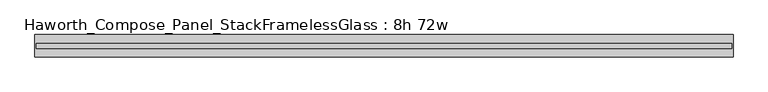
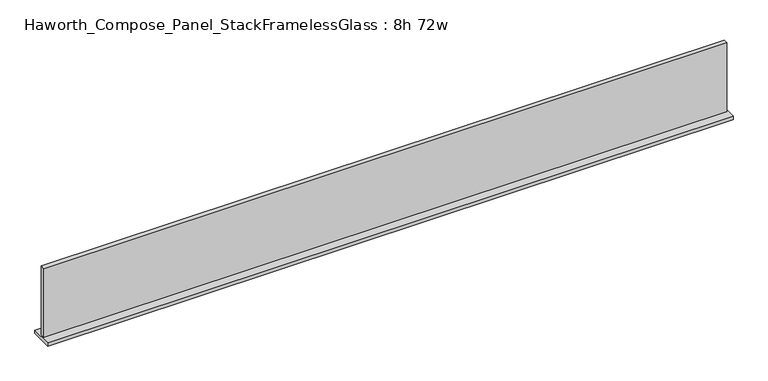
"""IFC4 building model written with IfcOpenShell, lengths in millimetres: furniture geometry, Haworth_Compose_Panel_StackFramelessGlass : 8h 72w."""

from ifc_helpers import new_model, si_unit, frame, origin, place, context, project, spatial, polyline, outline, extrude, source, transform, mapped, element, save


def haworth_compose_panel_stackframelessglass_8h_72w_19b6a11c(model_context):
    return source(origin(), model_context, "Body", "SweptSolid", [
        extrude(outline(polyline([(913.6652902, -27.3093594), (-908.7847098, -27.3093594), (-908.7847098, -14.6093594), (913.6652902, -14.6093594), (913.6652902, -27.3093594)])), frame((0.0, 0.0, 1279.525), z_axis=(0.0, 0.0, 1.0), x_axis=(1.0, 0.0, 0.0)), (0.0, 0.0, 1.0), 193.675),
        extrude(outline(polyline([(-911.9597098, -50.3281094), (-911.9597098, 8.4093906), (916.8402902, 8.4093906), (916.8402902, -50.3281094), (-911.9597098, -50.3281094)])), frame((0.0, 0.0, 1270.0), z_axis=(0.0, 0.0, 1.0), x_axis=(1.0, 0.0, 0.0)), (0.0, 0.0, 1.0), 9.525),
    ])


if __name__ == "__main__":
    model = new_model("IFC4")
    model_context = context("Model", 3, world=origin())
    ifc_project = project(units=[si_unit("LENGTHUNIT", "METRE", prefix="MILLI")], contexts=[model_context])
    site = spatial("IfcSite", under=ifc_project)
    building = spatial("IfcBuilding", under=site)
    placement = place(None, origin())
    haworth_compose_panel_stackframelessglass_8h_72w_shape = haworth_compose_panel_stackframelessglass_8h_72w_19b6a11c(model_context)
    element("IfcFurniture", 1, ObjectType="Haworth_Compose_Panel_StackFramelessGlass : 8h 72w", at=placement, inside=building, context=model_context, shape_type="MappedRepresentation", body=[
        mapped(haworth_compose_panel_stackframelessglass_8h_72w_shape, transform((0.0, 0.0, 0.0), x_axis=(1.0, 0.0, 0.0), y_axis=(0.0, 1.0, 0.0), z_axis=(0.0, 0.0, 1.0))),
    ])
    save(model, "model.ifc")
